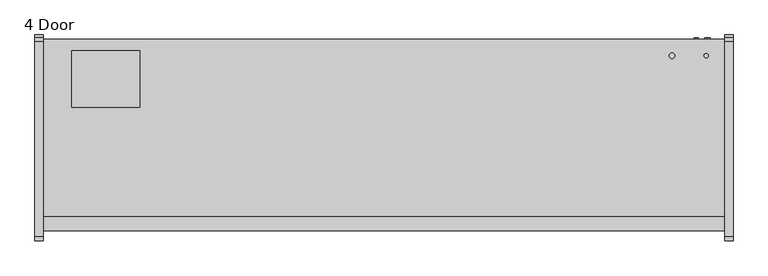
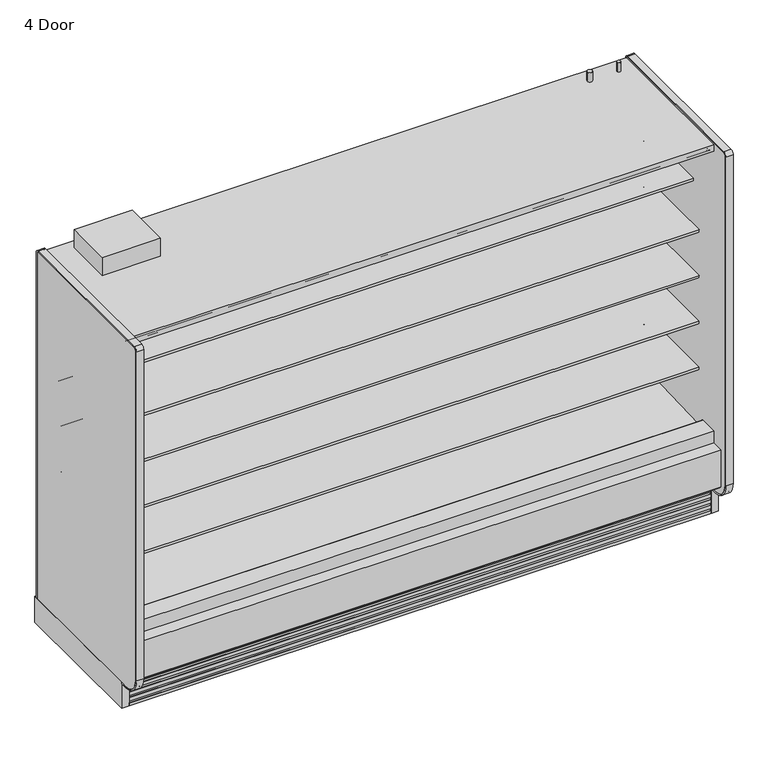
"""IFC4 building model written with IfcOpenShell, lengths in millimetres: proxy geometry, 4 Door."""

from ifc_helpers import new_model, si_unit, point, frame, frame_2d, origin, origin_with_axes, place, context, project, spatial, polyline, circle_curve, trimmed, segment, composite_curve, outline, extrude, source, transform, mapped, element, save
from ifc_brep_helpers import plane_surface, revolved_surface, advanced_brep


def proxy_4_door_71284872(model_context):
    return source(origin(), model_context, "Body", "SolidModel", [
        extrude(outline(composite_curve([segment(trimmed(circle_curve(frame_2d((2965.45, -429.4247809)), 9.525), [point((2955.925, -429.4247809))], [point((2974.975, -429.4247809))], False, "CARTESIAN"), True, "CONTINUOUS"), segment(trimmed(circle_curve(frame_2d((2965.45, -429.4247809)), 9.525), [point((2974.975, -429.4247809))], [point((2955.925, -429.4247809))], False, "CARTESIAN"), True, "CONTINUOUS")], self_intersect=False)), frame((0.0, 0.0, 2058.9904091), z_axis=(0.0, 0.0, 1.0), x_axis=(1.0, 0.0, 0.0)), (0.0, 0.0, 1.0), 50.8),
        extrude(outline(composite_curve([segment(trimmed(circle_curve(frame_2d((2813.05, -429.4247809)), 12.7), [point((2800.35, -429.4247809))], [point((2825.75, -429.4247809))], False, "CARTESIAN"), True, "CONTINUOUS"), segment(trimmed(circle_curve(frame_2d((2813.05, -429.4247809)), 12.7), [point((2825.75, -429.4247809))], [point((2800.35, -429.4247809))], False, "CARTESIAN"), True, "CONTINUOUS")], self_intersect=False)), frame((0.0, 0.0, 2058.9904091), z_axis=(0.0, 0.0, 1.0), x_axis=(1.0, 0.0, 0.0)), (0.0, 0.0, 1.0), 50.8),
        extrude(outline(composite_curve([segment(polyline([(-349.0071273, 2056.656972), (-349.0071273, 143.2306), (-355.3571273, 143.2306), (-355.3571273, 2056.656972)]), True, "CONTINUOUS"), segment(trimmed(circle_curve(frame_2d((-365.6251553, 2056.656972)), 10.268028), [point((-355.3571273, 2056.656972))], [point((-365.6251553, 2066.925))], True, "CARTESIAN"), True, "CONTINUOUS"), segment(polyline([(-365.6251553, 2066.925), (-1237.4724391, 2066.925)]), True, "CONTINUOUS"), segment(trimmed(circle_curve(frame_2d((-1237.4724391, 2054.225)), 12.7), [point((-1237.4724391, 2066.925))], [point((-1250.1724391, 2054.225))], True, "CARTESIAN"), True, "CONTINUOUS"), segment(polyline([(-1250.1724391, 2054.225), (-1250.1724391, 232.1306)]), True, "CONTINUOUS"), segment(trimmed(circle_curve(frame_2d((-1161.2724391, 232.1306)), 88.9), [point((-1250.1724391, 232.1306))], [point((-1161.2724391, 143.2306))], True, "CARTESIAN"), True, "CONTINUOUS"), segment(polyline([(-1161.2724391, 143.2306), (-1124.0599223, 143.2306), (-1124.0599223, 136.8806), (-1161.2724391, 136.8806)]), True, "CONTINUOUS"), segment(trimmed(circle_curve(frame_2d((-1161.2724391, 232.1306)), 95.25), [point((-1161.2724391, 136.8806))], [point((-1256.5224391, 232.1306))], False, "CARTESIAN"), True, "CONTINUOUS"), segment(polyline([(-1256.5224391, 232.1306), (-1256.5224391, 2054.225)]), True, "CONTINUOUS"), segment(trimmed(circle_curve(frame_2d((-1237.4724391, 2054.225)), 19.05), [point((-1256.5224391, 2054.225))], [point((-1237.4724391, 2073.275))], False, "CARTESIAN"), True, "CONTINUOUS"), segment(polyline([(-1237.4724391, 2073.275), (-365.6251553, 2073.275)]), True, "CONTINUOUS"), segment(trimmed(circle_curve(frame_2d((-365.6251553, 2056.656972)), 16.618028), [point((-365.6251553, 2073.275))], [point((-349.0071273, 2056.656972))], False, "CARTESIAN"), True, "CONTINUOUS")], self_intersect=False)), frame((3048.0, 0.0, 0.0), z_axis=(1.0, 0.0, 0.0), x_axis=(0.0, 1.0, 0.0)), (0.0, 0.0, 1.0), 38.1),
        extrude(outline(polyline([(3086.1, -336.3071273), (3086.1, -1124.0599223), (3048.0, -1124.0599223), (3048.0, -336.3071273), (3086.1, -336.3071273)])), origin_with_axes(), (0.0, 0.0, 1.0), 143.2306),
        extrude(outline(composite_curve([segment(polyline([(-1250.1724391, 232.1306), (-1250.1724391, 2054.225)]), True, "CONTINUOUS"), segment(trimmed(circle_curve(frame_2d((-1237.4724391, 2054.225)), 12.7), [point((-1250.1724391, 2054.225))], [point((-1237.4724391, 2066.925))], False, "CARTESIAN"), True, "CONTINUOUS"), segment(polyline([(-1237.4724391, 2066.925), (-365.6251553, 2066.925)]), True, "CONTINUOUS"), segment(trimmed(circle_curve(frame_2d((-365.6251553, 2056.656972)), 10.268028), [point((-365.6251553, 2066.925))], [point((-355.3571273, 2056.656972))], False, "CARTESIAN"), True, "CONTINUOUS"), segment(polyline([(-355.3571273, 2056.656972), (-355.3571273, 143.2306), (-1161.2724391, 143.2306)]), True, "CONTINUOUS"), segment(trimmed(circle_curve(frame_2d((-1161.2724391, 232.1306)), 88.9), [point((-1161.2724391, 143.2306))], [point((-1250.1724391, 232.1306))], False, "CARTESIAN"), True, "CONTINUOUS")], self_intersect=False)), frame((3048.0, 0.0, 0.0), z_axis=(1.0, 0.0, 0.0), x_axis=(0.0, 1.0, 0.0)), (0.0, 0.0, 1.0), 38.1),
        extrude(outline(composite_curve([segment(polyline([(-1124.0599223, 136.8806), (-1161.2724391, 136.8806)]), True, "CONTINUOUS"), segment(trimmed(circle_curve(frame_2d((-1161.2724391, 232.1306)), 95.25), [point((-1161.2724391, 136.8806))], [point((-1256.5224391, 232.1306))], False, "CARTESIAN"), True, "CONTINUOUS"), segment(polyline([(-1256.5224391, 232.1306), (-1256.5224391, 2054.225)]), True, "CONTINUOUS"), segment(trimmed(circle_curve(frame_2d((-1237.4724391, 2054.225)), 19.05), [point((-1256.5224391, 2054.225))], [point((-1237.4724391, 2073.275))], False, "CARTESIAN"), True, "CONTINUOUS"), segment(polyline([(-1237.4724391, 2073.275), (-365.6251553, 2073.275)]), True, "CONTINUOUS"), segment(trimmed(circle_curve(frame_2d((-365.6251553, 2056.656972)), 16.618028), [point((-365.6251553, 2073.275))], [point((-349.0071273, 2056.656972))], False, "CARTESIAN"), True, "CONTINUOUS"), segment(polyline([(-349.0071273, 2056.656972), (-349.0071273, 143.2306), (-355.3571273, 143.2306), (-355.3571273, 2056.656972)]), True, "CONTINUOUS"), segment(trimmed(circle_curve(frame_2d((-365.6251553, 2056.656972)), 10.268028), [point((-355.3571273, 2056.656972))], [point((-365.6251553, 2066.925))], True, "CARTESIAN"), True, "CONTINUOUS"), segment(polyline([(-365.6251553, 2066.925), (-1237.4724391, 2066.925)]), True, "CONTINUOUS"), segment(trimmed(circle_curve(frame_2d((-1237.4724391, 2054.225)), 12.7), [point((-1237.4724391, 2066.925))], [point((-1250.1724391, 2054.225))], True, "CARTESIAN"), True, "CONTINUOUS"), segment(polyline([(-1250.1724391, 2054.225), (-1250.1724391, 232.1306)]), True, "CONTINUOUS"), segment(trimmed(circle_curve(frame_2d((-1161.2724391, 232.1306)), 88.9), [point((-1250.1724391, 232.1306))], [point((-1161.2724391, 143.2306))], True, "CARTESIAN"), True, "CONTINUOUS"), segment(polyline([(-1161.2724391, 143.2306), (-1124.0599223, 143.2306), (-1124.0599223, 136.8806)]), True, "CONTINUOUS")], self_intersect=False)), frame((-38.1, 0.0, 0.0), z_axis=(1.0, 0.0, 0.0), x_axis=(0.0, 1.0, 0.0)), (0.0, 0.0, 1.0), 38.1),
        extrude(outline(polyline([(0.0, -336.3071273), (0.0, -1124.0599223), (-38.1, -1124.0599223), (-38.1, -336.3071273), (0.0, -336.3071273)])), origin_with_axes(), (0.0, 0.0, 1.0), 143.2306),
        extrude(outline(composite_curve([segment(polyline([(-1250.1724391, 232.1306), (-1250.1724391, 2054.225)]), True, "CONTINUOUS"), segment(trimmed(circle_curve(frame_2d((-1237.4724391, 2054.225)), 12.7), [point((-1250.1724391, 2054.225))], [point((-1237.4724391, 2066.925))], False, "CARTESIAN"), True, "CONTINUOUS"), segment(polyline([(-1237.4724391, 2066.925), (-365.6251553, 2066.925)]), True, "CONTINUOUS"), segment(trimmed(circle_curve(frame_2d((-365.6251553, 2056.656972)), 10.268028), [point((-365.6251553, 2066.925))], [point((-355.3571273, 2056.656972))], False, "CARTESIAN"), True, "CONTINUOUS"), segment(polyline([(-355.3571273, 2056.656972), (-355.3571273, 143.2306), (-1137.131026, 143.2306), (-1161.2724391, 143.2306)]), True, "CONTINUOUS"), segment(trimmed(circle_curve(frame_2d((-1161.2724391, 232.1306)), 88.9), [point((-1161.2724391, 143.2306))], [point((-1250.1724391, 232.1306))], False, "CARTESIAN"), True, "CONTINUOUS")], self_intersect=False)), frame((-38.1, 0.0, 0.0), z_axis=(1.0, 0.0, 0.0), x_axis=(0.0, 1.0, 0.0)), (0.0, 0.0, 1.0), 38.1),
        extrude(outline(polyline([(0.0, -76.2), (0.0, 0.0), (3048.0, 0.0), (3048.0, -76.2), (0.0, -76.2)])), frame((3048.0, -1079.2958538, 1988.0577862), z_axis=(0.0, 0.09315347017682277, 0.9956517619097633), x_axis=(-1.0, 0.0, 0.0)), (0.0, 0.0, 1.0), 12.7),
        extrude(outline(composite_curve([segment(trimmed(circle_curve(frame_2d((-1205.0506273, 199.8107889)), 6.35), [point((-1201.8764382, 194.3110595))], [point((-1211.4006273, 199.8107889))], False, "CARTESIAN"), True, "CONTINUOUS"), segment(polyline([(-1211.4006273, 199.8107889), (-1211.4006273, 404.6728), (-1147.784197, 404.6728), (-1147.784197, 395.1732), (-1196.1987273, 395.1732), (-1196.1987273, 260.4549459), (-1151.8090876, 223.2076157), (-1201.8764382, 194.3110595)]), True, "CONTINUOUS")], self_intersect=False)), frame((0.0, 0.0, 0.0), z_axis=(1.0, 0.0, 0.0), x_axis=(0.0, 1.0, 0.0)), (0.0, 0.0, 1.0), 3048.0),
        extrude(outline(polyline([(431.8422466, -406.1571273), (431.8422466, -660.1571273), (127.0, -660.1571273), (127.0, -406.1571273), (431.8422466, -406.1571273)])), frame((0.0, 0.0, 2058.9904091), z_axis=(0.0, 0.0, 1.0), x_axis=(1.0, 0.0, 0.0)), (0.0, 0.0, 1.0), 100.0095909),
        advanced_brep(
        [(3048.0, -1124.0599223, 0.0), (3048.0, -1111.0071273, 0.0), (3048.0, -1111.0071273, 189.0201105), (3048.0, -1118.1695038, 194.9418778), (3048.0, -1118.1695038, 167.3928018), (3048.0, -1119.7599344, 165.8023712), (3048.0, -1119.7599344, 146.7523712), (3048.0, -1117.4655682, 147.966845), (3048.0, -1114.0015384, 146.7880867), (3048.0, -1120.0983392, 136.4191003), (3048.0, -1120.6941527, 135.8232868), (3048.0, -1120.6941527, 116.7732868), (3048.0, -1118.3997865, 117.9877605), (3048.0, -1114.9357567, 116.8090023), (3048.0, -1121.0325575, 106.4400158), (3048.0, -1121.628371, 105.8442023), (3048.0, -1121.628371, 86.7942023), (3048.0, -1119.3340048, 88.0086761), (3048.0, -1115.869975, 86.8299178), (3048.0, -1121.9667759, 76.4609313), (3048.0, -1122.5625893, 75.8651179), (3048.0, -1122.5625893, 56.8151179), (3048.0, -1120.2682231, 58.0295916), (3048.0, -1116.8041934, 56.8508334), (3048.0, -1122.9009942, 46.4818469), (3048.0, -1123.4968077, 45.8860334), (3048.0, -1123.4968077, 26.8360334), (3048.0, -1121.2024415, 28.0505071), (3048.0, -1117.7384117, 26.8717489), (3048.0, -1123.8352125, 16.5027624), (3048.0, -1124.0599223, 15.4000228), (0.0, -1124.0599223, 0.0), (0.0, -1124.0599223, 15.4000228), (0.0, -1123.8352125, 16.5027624), (0.0, -1117.7046569, 26.7952908), (0.0, -1121.2024415, 28.0505071), (0.0, -1123.4968077, 26.8360334), (0.0, -1123.4968077, 45.8860334), (0.0, -1122.9009942, 46.4818469), (0.0, -1116.7704385, 56.7743753), (0.0, -1120.2682231, 58.0295916), (0.0, -1122.5625893, 56.8151179), (0.0, -1122.5625893, 75.8651179), (0.0, -1121.9667759, 76.4609313), (0.0, -1115.8362202, 86.7534597), (0.0, -1119.3340048, 88.0086761), (0.0, -1121.628371, 86.7942023), (0.0, -1121.628371, 105.8442023), (0.0, -1121.0325575, 106.4400158), (0.0, -1114.9020019, 116.7325442), (0.0, -1118.3997865, 117.9877605), (0.0, -1120.6941527, 116.7732868), (0.0, -1120.6941527, 135.8232868), (0.0, -1120.0983392, 136.4191003), (0.0, -1113.9677835, 146.7116287), (0.0, -1117.4655682, 147.966845), (0.0, -1119.7599344, 146.7523712), (0.0, -1119.7599344, 165.8023712), (0.0, -1118.1695038, 167.3928018), (0.0, -1118.1695038, 194.9418778), (0.0, -1111.0071273, 189.0201105), (0.0, -1111.0071273, 0.0)],
        [
            (0, 1),
            (1, 2),
            (2, 3),
            (3, 4),
            (4, 5),
            (5, 6),
            (6, 7),
            (7, 8, circle_curve(frame((3048.0, -1116.2892235, 145.7445117), z_axis=(-1.0, 0.0, 0.0), x_axis=(0.0, 1.0, 0.0)), 2.5144685)),
            (8, 9, circle_curve(frame((3048.0, -1120.7858609, 143.8006506), z_axis=(-1.0, 0.0, 0.0), x_axis=(0.0, 1.0, 0.0)), 7.4134993)),
            (9, 10),
            (10, 11),
            (11, 12),
            (12, 13, circle_curve(frame((3048.0, -1117.2234418, 115.7654272), z_axis=(-1.0, 0.0, 0.0), x_axis=(0.0, 1.0, 0.0)), 2.5144685)),
            (13, 14, circle_curve(frame((3048.0, -1121.7200792, 113.8215662), z_axis=(-1.0, 0.0, 0.0), x_axis=(0.0, 1.0, 0.0)), 7.4134993)),
            (14, 15),
            (15, 16),
            (16, 17),
            (17, 18, circle_curve(frame((3048.0, -1118.1576601, 85.7863428), z_axis=(-1.0, 0.0, 0.0), x_axis=(0.0, 1.0, 0.0)), 2.5144685)),
            (18, 19, circle_curve(frame((3048.0, -1122.6542976, 83.8424817), z_axis=(-1.0, 0.0, 0.0), x_axis=(0.0, 1.0, 0.0)), 7.4134993)),
            (19, 20),
            (20, 21),
            (21, 22),
            (22, 23, circle_curve(frame((3048.0, -1119.0918785, 55.8072583), z_axis=(-1.0, 0.0, 0.0), x_axis=(0.0, 1.0, 0.0)), 2.5144685)),
            (23, 24, circle_curve(frame((3048.0, -1123.5885159, 53.8633973), z_axis=(-1.0, 0.0, 0.0), x_axis=(0.0, 1.0, 0.0)), 7.4134993)),
            (24, 25),
            (25, 26),
            (26, 27),
            (27, 28, circle_curve(frame((3048.0, -1120.0260968, 25.8281739), z_axis=(-1.0, 0.0, 0.0), x_axis=(0.0, 1.0, 0.0)), 2.5144685)),
            (28, 29, circle_curve(frame((3048.0, -1124.5227342, 23.8843128), z_axis=(-1.0, 0.0, 0.0), x_axis=(0.0, 1.0, 0.0)), 7.4134993)),
            (29, 30),
            (30, 0),
            (31, 32),
            (32, 33),
            (33, 34, circle_curve(frame((0.0, -1124.5227342, 23.8843128), z_axis=(1.0, 0.0, 0.0), x_axis=(0.0, 1.0, 0.0)), 7.4134993)),
            (34, 35, circle_curve(frame((0.0, -1120.0260968, 25.8281739), z_axis=(1.0, 0.0, 0.0), x_axis=(0.0, 1.0, 0.0)), 2.5144685)),
            (35, 36),
            (36, 37),
            (37, 38),
            (38, 39, circle_curve(frame((0.0, -1123.5885159, 53.8633973), z_axis=(1.0, 0.0, 0.0), x_axis=(0.0, 1.0, 0.0)), 7.4134993)),
            (39, 40, circle_curve(frame((0.0, -1119.0918785, 55.8072583), z_axis=(1.0, 0.0, 0.0), x_axis=(0.0, 1.0, 0.0)), 2.5144685)),
            (40, 41),
            (41, 42),
            (42, 43),
            (43, 44, circle_curve(frame((0.0, -1122.6542976, 83.8424817), z_axis=(1.0, 0.0, 0.0), x_axis=(0.0, 1.0, 0.0)), 7.4134993)),
            (44, 45, circle_curve(frame((0.0, -1118.1576601, 85.7863428), z_axis=(1.0, 0.0, 0.0), x_axis=(0.0, 1.0, 0.0)), 2.5144685)),
            (45, 46),
            (46, 47),
            (47, 48),
            (48, 49, circle_curve(frame((0.0, -1121.7200792, 113.8215662), z_axis=(1.0, 0.0, 0.0), x_axis=(0.0, 1.0, 0.0)), 7.4134993)),
            (49, 50, circle_curve(frame((0.0, -1117.2234418, 115.7654272), z_axis=(1.0, 0.0, 0.0), x_axis=(0.0, 1.0, 0.0)), 2.5144685)),
            (50, 51),
            (51, 52),
            (52, 53),
            (53, 54, circle_curve(frame((0.0, -1120.7858609, 143.8006506), z_axis=(1.0, 0.0, 0.0), x_axis=(0.0, 1.0, 0.0)), 7.4134993)),
            (54, 55, circle_curve(frame((0.0, -1116.2892235, 145.7445117), z_axis=(1.0, 0.0, 0.0), x_axis=(0.0, 1.0, 0.0)), 2.5144685)),
            (55, 56),
            (56, 57),
            (57, 58),
            (58, 59),
            (59, 60),
            (60, 61),
            (61, 31),
            (0, 31),
            (61, 1),
            (60, 2),
            (59, 3),
            (58, 4),
            (57, 5),
            (56, 6),
            (55, 7),
            (54, 8),
            (53, 9),
            (52, 10),
            (51, 11),
            (50, 12),
            (49, 13),
            (48, 14),
            (47, 15),
            (46, 16),
            (45, 17),
            (44, 18),
            (43, 19),
            (42, 20),
            (41, 21),
            (40, 22),
            (39, 23),
            (38, 24),
            (37, 25),
            (36, 26),
            (35, 27),
            (34, 28),
            (33, 29),
            (30, 32),
        ],
        [
            plane_surface(frame((3048.0, -1111.0071273, 0.0), z_axis=(1.0, 0.0, 0.0), x_axis=(0.0, 1.0, 0.0))),
            plane_surface(frame((0.0, -1111.0071273, 0.0), z_axis=(-1.0, 0.0, 0.0), x_axis=(0.0, -1.0, 0.0))),
            plane_surface(frame((3048.0, -1124.0599223, 0.0), z_axis=(0.0, 0.0, -1.0), x_axis=(-1.0, 0.0, 0.0))),
            plane_surface(frame((3048.0, -1111.0071273, 0.0), z_axis=(0.0, 1.0, 0.0), x_axis=(-1.0, 0.0, 0.0))),
            plane_surface(frame((3048.0, -1111.0071273, 189.0201105), z_axis=(0.0, 0.6372025590230975, 0.7706963726231076), x_axis=(-1.0, 0.0, 0.0))),
            plane_surface(frame((3048.0, -1118.1695038, 194.9418778), z_axis=(0.0, -1.0, 0.0), x_axis=(-1.0, 0.0, 0.0))),
            plane_surface(frame((3048.0, -1118.1695038, 167.3928018), z_axis=(0.0, -0.7071067811865249, 0.7071067811865701), x_axis=(-1.0, 0.0, 0.0))),
            plane_surface(frame((3048.0, -1119.7599344, 165.8023712), z_axis=(0.0, -1.0, 0.0), x_axis=(-1.0, 0.0, 0.0))),
            plane_surface(frame((3048.0, -1119.7599344, 146.7523712), z_axis=(0.0, 0.46783034066877954, -0.8838182914772322), x_axis=(-1.0, 0.0, 0.0))),
            revolved_surface(polyline([(0.0, -1113.774755, 145.7445117), (3048.0, -1113.774755, 145.7445117)]), (0.0, -1116.2892235, 145.7445117), (-1.0, 0.0, 0.0)),
            revolved_surface(polyline([(0.0, -1113.3723616, 143.8006506), (3048.0, -1113.3723616, 143.8006506)]), (0.0, -1120.7858609, 143.8006506), (-1.0, 0.0, 0.0)),
            plane_surface(frame((3048.0, -1120.0983392, 136.4191003), z_axis=(0.0, -0.7071067811865174, 0.7071067811865777), x_axis=(-1.0, 0.0, 0.0))),
            plane_surface(frame((3048.0, -1120.6941527, 135.8232868), z_axis=(0.0, -1.0, 0.0), x_axis=(-1.0, 0.0, 0.0))),
            plane_surface(frame((3048.0, -1120.6941527, 116.7732868), z_axis=(0.0, 0.46783034066877444, -0.8838182914772349), x_axis=(-1.0, 0.0, 0.0))),
            revolved_surface(polyline([(0.0, -1114.7089733, 115.7654272), (3048.0, -1114.7089733, 115.7654272)]), (0.0, -1117.2234418, 115.7654272), (-1.0, 0.0, 0.0)),
            revolved_surface(polyline([(0.0, -1114.3065799, 113.8215662), (3048.0, -1114.3065799, 113.8215662)]), (0.0, -1121.7200792, 113.8215662), (-1.0, 0.0, 0.0)),
            plane_surface(frame((3048.0, -1121.0325575, 106.4400158), z_axis=(0.0, -0.7071067811865275, 0.7071067811865677), x_axis=(-1.0, 0.0, 0.0))),
            plane_surface(frame((3048.0, -1121.628371, 105.8442023), z_axis=(0.0, -1.0, 0.0), x_axis=(-1.0, 0.0, 0.0))),
            plane_surface(frame((3048.0, -1121.628371, 86.7942023), z_axis=(0.0, 0.46783034066877954, -0.8838182914772322), x_axis=(-1.0, 0.0, 0.0))),
            revolved_surface(polyline([(0.0, -1115.6431916, 85.7863428), (3048.0, -1115.6431916, 85.7863428)]), (0.0, -1118.1576601, 85.7863428), (-1.0, 0.0, 0.0)),
            revolved_surface(polyline([(0.0, -1115.2407983, 83.8424817), (3048.0, -1115.2407983, 83.8424817)]), (0.0, -1122.6542976, 83.8424817), (-1.0, 0.0, 0.0)),
            plane_surface(frame((3048.0, -1121.9667759, 76.4609313), z_axis=(0.0, -0.7071067811865225, 0.7071067811865727), x_axis=(-1.0, 0.0, 0.0))),
            plane_surface(frame((3048.0, -1122.5625893, 75.8651179), z_axis=(0.0, -1.0, 0.0), x_axis=(-1.0, 0.0, 0.0))),
            plane_surface(frame((3048.0, -1122.5625893, 56.8151179), z_axis=(0.0, 0.46783034066877954, -0.8838182914772322), x_axis=(-1.0, 0.0, 0.0))),
            revolved_surface(polyline([(0.0, -1116.5774099999999, 55.8072583), (3048.0, -1116.5774099999999, 55.8072583)]), (0.0, -1119.0918785, 55.8072583), (-1.0, 0.0, 0.0)),
            revolved_surface(polyline([(0.0, -1116.1750166, 53.8633973), (3048.0, -1116.1750166, 53.8633973)]), (0.0, -1123.5885159, 53.8633973), (-1.0, 0.0, 0.0)),
            plane_surface(frame((3048.0, -1122.9009942, 46.4818469), z_axis=(0.0, -0.7071067811865275, 0.7071067811865677), x_axis=(-1.0, 0.0, 0.0))),
            plane_surface(frame((3048.0, -1123.4968077, 45.8860334), z_axis=(0.0, -1.0, 0.0), x_axis=(-1.0, 0.0, 0.0))),
            plane_surface(frame((3048.0, -1123.4968077, 26.8360334), z_axis=(0.0, 0.46783034066877954, -0.8838182914772322), x_axis=(-1.0, 0.0, 0.0))),
            revolved_surface(polyline([(0.0, -1117.5116283, 25.8281739), (3048.0, -1117.5116283, 25.8281739)]), (0.0, -1120.0260968, 25.8281739), (-1.0, 0.0, 0.0)),
            revolved_surface(polyline([(0.0, -1117.1092349, 23.8843128), (3048.0, -1117.1092349, 23.8843128)]), (0.0, -1124.5227342, 23.8843128), (-1.0, 0.0, 0.0)),
            plane_surface(frame((3048.0, -1124.0599223, 15.4000228), z_axis=(0.0, -1.0, 0.0), x_axis=(-1.0, 0.0, 0.0))),
            plane_surface(frame((3048.0, -1123.8352125, 16.5027624), z_axis=(0.0, -0.9798630437033696, 0.19967076797660804), x_axis=(-1.0, 0.0, 0.0))),
        ],
        [
            (0, [[1, 2, 3, 4, 5, 6, 7, 8, 9, 10, 11, 12, 13, 14, 15, 16, 17, 18, 19, 20, 21, 22, 23, 24, 25, 26, 27, 28, 29, 30, 31]]),
            (1, [[32, 33, 34, 35, 36, 37, 38, 39, 40, 41, 42, 43, 44, 45, 46, 47, 48, 49, 50, 51, 52, 53, 54, 55, 56, 57, 58, 59, 60, 61, 62]]),
            (2, [[-1, 63, -62, 64]]),
            (3, [[-2, -64, -61, 65]]),
            (4, [[-3, -65, -60, 66]]),
            (5, [[-4, -66, -59, 67]]),
            (6, [[-5, -67, -58, 68]]),
            (7, [[-6, -68, -57, 69]]),
            (8, [[-7, -69, -56, 70]]),
            (9, [[-8, -70, -55, 71]]),
            (10, [[-9, -71, -54, 72]]),
            (11, [[-10, -72, -53, 73]]),
            (12, [[-11, -73, -52, 74]]),
            (13, [[-12, -74, -51, 75]]),
            (14, [[-13, -75, -50, 76]]),
            (15, [[-14, -76, -49, 77]]),
            (16, [[-15, -77, -48, 78]]),
            (17, [[-16, -78, -47, 79]]),
            (18, [[-17, -79, -46, 80]]),
            (19, [[-18, -80, -45, 81]]),
            (20, [[-19, -81, -44, 82]]),
            (21, [[-20, -82, -43, 83]]),
            (22, [[-21, -83, -42, 84]]),
            (23, [[-22, -84, -41, 85]]),
            (24, [[-23, -85, -40, 86]]),
            (25, [[-24, -86, -39, 87]]),
            (26, [[-25, -87, -38, 88]]),
            (27, [[-26, -88, -37, 89]]),
            (28, [[-27, -89, -36, 90]]),
            (29, [[-28, -90, -35, 91]]),
            (30, [[-29, -91, -34, 92]]),
            (31, [[-31, 93, -32, -63]]),
            (32, [[-30, -92, -33, -93]]),
        ],
    ),
        extrude(outline(composite_curve([segment(polyline([(-457.027044, 1659.5875245), (-468.1349362, 1659.3712074)]), True, "CONTINUOUS"), segment(trimmed(circle_curve(frame_2d((-468.6228819, 1684.4272352)), 25.0607786), [point((-468.1349362, 1659.3712074))], [point((-484.5302045, 1665.062326))], False, "CARTESIAN"), True, "CONTINUOUS"), segment(polyline([(-484.5302045, 1665.062326), (-522.7519051, 1696.1455946)]), True, "CONTINUOUS"), segment(trimmed(circle_curve(frame_2d((-562.8163782, 1646.8801098)), 63.5), [point((-522.7519051, 1696.1455946))], [point((-555.8383697, 1709.9955389))], True, "CARTESIAN"), True, "CONTINUOUS"), segment(polyline([(-555.8383697, 1709.9955389), (-850.9210421, 1742.6197236), (-850.9210421, 1746.90405), (-965.027044, 1746.90405), (-965.027044, 1760.3978), (-457.027044, 1760.3978), (-457.027044, 1659.5875245)]), True, "CONTINUOUS")], self_intersect=False)), frame((0.0, 0.0, 0.0), z_axis=(1.0, 0.0, 0.0), x_axis=(0.0, 1.0, 0.0)), (0.0, 0.0, 1.0), 3048.0),
        extrude(outline(composite_curve([segment(polyline([(-457.027044, 643.5875245), (-468.1349362, 643.3712074)]), True, "CONTINUOUS"), segment(trimmed(circle_curve(frame_2d((-468.6228819, 668.4272352)), 25.0607786), [point((-468.1349362, 643.3712074))], [point((-484.5302045, 649.062326))], False, "CARTESIAN"), True, "CONTINUOUS"), segment(polyline([(-484.5302045, 649.062326), (-522.7519051, 680.1455946)]), True, "CONTINUOUS"), segment(trimmed(circle_curve(frame_2d((-562.8163782, 630.8801098)), 63.5), [point((-522.7519051, 680.1455946))], [point((-555.9633688, 694.0092335))], True, "CARTESIAN"), True, "CONTINUOUS"), segment(polyline([(-555.9633688, 694.0092335), (-901.7210421, 726.6197236), (-901.7210421, 730.90405), (-1015.827044, 730.90405), (-1015.827044, 744.3978), (-457.027044, 744.3978), (-457.027044, 643.5875245)]), True, "CONTINUOUS")], self_intersect=False)), frame((0.0, 0.0, 0.0), z_axis=(1.0, 0.0, 0.0), x_axis=(0.0, 1.0, 0.0)), (0.0, 0.0, 1.0), 3048.0),
        extrude(outline(composite_curve([segment(polyline([(-457.027044, 897.5875245), (-468.1349362, 897.3712074)]), True, "CONTINUOUS"), segment(trimmed(circle_curve(frame_2d((-468.6228819, 922.4272352)), 25.0607786), [point((-468.1349362, 897.3712074))], [point((-484.5302045, 903.062326))], False, "CARTESIAN"), True, "CONTINUOUS"), segment(polyline([(-484.5302045, 903.062326), (-522.7519051, 934.1455946)]), True, "CONTINUOUS"), segment(trimmed(circle_curve(frame_2d((-562.8163782, 884.8801098)), 63.5), [point((-522.7519051, 934.1455946))], [point((-555.9633688, 948.0092335))], True, "CARTESIAN"), True, "CONTINUOUS"), segment(polyline([(-555.9633688, 948.0092335), (-901.7210421, 980.6197236), (-901.7210421, 984.90405), (-1015.827044, 984.90405), (-1015.827044, 998.3978), (-457.027044, 998.3978), (-457.027044, 897.5875245)]), True, "CONTINUOUS")], self_intersect=False)), frame((0.0, 0.0, 0.0), z_axis=(1.0, 0.0, 0.0), x_axis=(0.0, 1.0, 0.0)), (0.0, 0.0, 1.0), 3048.0),
        extrude(outline(composite_curve([segment(polyline([(-457.027044, 1151.5875245), (-468.1349362, 1151.3712074)]), True, "CONTINUOUS"), segment(trimmed(circle_curve(frame_2d((-468.6228819, 1176.4272352)), 25.0607786), [point((-468.1349362, 1151.3712074))], [point((-484.5302045, 1157.062326))], False, "CARTESIAN"), True, "CONTINUOUS"), segment(polyline([(-484.5302045, 1157.062326), (-522.7519051, 1188.1455946)]), True, "CONTINUOUS"), segment(trimmed(circle_curve(frame_2d((-562.8163782, 1138.8801098)), 63.5), [point((-522.7519051, 1188.1455946))], [point((-555.9633688, 1202.0092335))], True, "CARTESIAN"), True, "CONTINUOUS"), segment(polyline([(-555.9633688, 1202.0092335), (-901.7210421, 1234.6197236), (-901.7210421, 1238.90405), (-1015.827044, 1238.90405), (-1015.827044, 1252.3978), (-457.027044, 1252.3978), (-457.027044, 1151.5875245)]), True, "CONTINUOUS")], self_intersect=False)), frame((0.0, 0.0, 0.0), z_axis=(1.0, 0.0, 0.0), x_axis=(0.0, 1.0, 0.0)), (0.0, 0.0, 1.0), 3048.0),
        extrude(outline(composite_curve([segment(polyline([(-457.027044, 1405.5875245), (-468.1349362, 1405.3712074)]), True, "CONTINUOUS"), segment(trimmed(circle_curve(frame_2d((-468.6228819, 1430.4272352)), 25.0607786), [point((-468.1349362, 1405.3712074))], [point((-484.5302045, 1411.062326))], False, "CARTESIAN"), True, "CONTINUOUS"), segment(polyline([(-484.5302045, 1411.062326), (-522.7519051, 1442.1455946)]), True, "CONTINUOUS"), segment(trimmed(circle_curve(frame_2d((-562.8163782, 1392.8801098)), 63.5), [point((-522.7519051, 1442.1455946))], [point((-555.9633688, 1456.0092335))], True, "CARTESIAN"), True, "CONTINUOUS"), segment(polyline([(-555.9633688, 1456.0092335), (-901.7210421, 1488.6197236), (-901.7210421, 1492.90405), (-1015.827044, 1492.90405), (-1015.827044, 1506.3978), (-457.027044, 1506.3978), (-457.027044, 1405.5875245)]), True, "CONTINUOUS")], self_intersect=False)), frame((0.0, 0.0, 0.0), z_axis=(1.0, 0.0, 0.0), x_axis=(0.0, 1.0, 0.0)), (0.0, 0.0, 1.0), 3048.0),
        advanced_brep(
        [(3048.0, -355.3571273, 130.5306), (3048.0, -355.3571273, 2057.4), (3048.0, -1147.784197, 2057.4), (3048.0, -1147.784197, 2020.2201079), (3048.0, -405.5224764, 2020.2201079), (3048.0, -405.5224764, 220.2495555), (3048.0, -866.2322128, 192.9404113), (3048.0, -906.3154388, 159.4459345), (3048.0, -970.8177493, 157.1934642), (3048.0, -1016.169944, 190.0023738), (3048.0, -1033.5218065, 189.3964335), (3048.0, -1147.784197, 285.2739632), (3048.0, -1147.784197, 395.1732), (3048.0, -1196.1987273, 395.1732), (3048.0, -1196.1987273, 260.4549459), (3048.0, -1041.3609213, 130.5306), (0.0, -355.3571273, 130.5306), (0.0, -1041.3609213, 130.5306), (0.0, -1196.1987273, 260.4549459), (0.0, -1196.1987273, 395.1732), (0.0, -1147.784197, 395.1732), (0.0, -1147.784197, 285.2739632), (0.0, -1033.5218065, 189.3964335), (0.0, -1016.169944, 190.0023738), (0.0, -970.8177493, 157.1934642), (0.0, -906.3154388, 159.4459345), (0.0, -866.2322128, 192.9404113), (0.0, -405.5224764, 220.2495555), (0.0, -405.5224764, 2020.2201079), (0.0, -1147.784197, 2020.2201079), (0.0, -1147.784197, 2057.4), (0.0, -355.3571273, 2057.4), (2946.4, -355.3571273, 303.2125), (2946.4, -355.3571273, 404.8125), (2946.4, -390.6253644, 303.2125), (2946.4, -390.6253644, 404.8125)],
        [
            (0, 1),
            (1, 2),
            (2, 3),
            (3, 4),
            (4, 5),
            (5, 6),
            (6, 7),
            (7, 8),
            (8, 9),
            (9, 10),
            (10, 11),
            (11, 12),
            (12, 13),
            (13, 14),
            (14, 15),
            (15, 0),
            (16, 17),
            (17, 18),
            (18, 19),
            (19, 20),
            (20, 21),
            (21, 22),
            (22, 23),
            (23, 24),
            (24, 25),
            (25, 26),
            (26, 27),
            (27, 28),
            (28, 29),
            (29, 30),
            (30, 31),
            (31, 16),
            (0, 16),
            (31, 1),
            (32, 33, circle_curve(frame((2946.4, -355.3571273, 354.0125), z_axis=(0.0, -1.0, 0.0), x_axis=(0.0, 0.0, 1.0)), 50.8)),
            (33, 32, circle_curve(frame((2946.4, -355.3571273, 354.0125), z_axis=(0.0, -1.0, 0.0), x_axis=(0.0, 0.0, 1.0)), 50.8)),
            (30, 2),
            (29, 3),
            (28, 4),
            (27, 5),
            (15, 17),
            (34, 35, circle_curve(frame((2946.4, -390.6253644, 354.0125), z_axis=(0.0, 1.0, 0.0), x_axis=(0.0, 0.0, 1.0)), 50.8)),
            (35, 34, circle_curve(frame((2946.4, -390.6253644, 354.0125), z_axis=(0.0, 1.0, 0.0), x_axis=(0.0, 0.0, 1.0)), 50.8)),
            (35, 33),
            (32, 34),
            (6, 26),
            (25, 7),
            (24, 8),
            (23, 9),
            (22, 10),
            (21, 11),
            (20, 12),
            (19, 13),
            (18, 14),
        ],
        [
            plane_surface(frame((3048.0, -355.3571273, 2046.3567079), z_axis=(1.0, 0.0, 0.0), x_axis=(0.0, 0.0, 1.0))),
            plane_surface(frame((0.0, -355.3571273, 2046.3567079), z_axis=(-1.0, 0.0, 0.0), x_axis=(0.0, 0.0, -1.0))),
            plane_surface(frame((3048.0, -355.3571273, 130.5306), z_axis=(0.0, 1.0, 0.0), x_axis=(-1.0, 0.0, 0.0))),
            plane_surface(frame((3048.0, -355.3571273, 2057.4), z_axis=(0.0, 0.0, 1.0), x_axis=(-1.0, 0.0, 0.0))),
            plane_surface(frame((3048.0, -1147.784197, 2057.4), z_axis=(0.0, -1.0, 0.0), x_axis=(-1.0, 0.0, 0.0))),
            plane_surface(frame((3048.0, -1147.784197, 2020.2201079), z_axis=(0.0, 0.0, -1.0), x_axis=(-1.0, 0.0, 0.0))),
            plane_surface(frame((3048.0, -405.5224764, 2020.2201079), z_axis=(0.0, -1.0, 0.0), x_axis=(-1.0, 0.0, 0.0))),
            plane_surface(frame((3048.0, -1041.3609213, 130.5306), z_axis=(0.0, 0.0, -1.0), x_axis=(-1.0, 0.0, 0.0))),
            plane_surface(frame((2946.4, -390.6253644, 404.8125), z_axis=(0.0, 1.0, 0.0), x_axis=(-1.0, 0.0, 0.0))),
            revolved_surface(polyline([(2946.4, -390.6253644, 404.8125), (2946.4, -355.3571273, 404.8125)]), (2946.4, -355.3571273, 354.0125), (0.0, -1.0, 0.0)),
            plane_surface(frame((3048.0, -866.2322128, 192.9404113), z_axis=(0.0, -0.6412208566386132, 0.7673563794037573), x_axis=(-1.0, 0.0, 0.0))),
            plane_surface(frame((3048.0, -906.3154388, 159.4459345), z_axis=(0.0, -0.03489949670245158, 0.9993908270190974), x_axis=(-1.0, 0.0, 0.0))),
            plane_surface(frame((3048.0, -970.8177493, 157.1934642), z_axis=(0.0, 0.5861307997256702, 0.8102164436821474), x_axis=(-1.0, 0.0, 0.0))),
            plane_surface(frame((3048.0, -1016.169944, 190.0023738), z_axis=(0.0, -0.034899496702486744, 0.9993908270190962), x_axis=(-1.0, 0.0, 0.0))),
            plane_surface(frame((3048.0, -405.5224764, 220.2495555), z_axis=(0.0, -0.059172381954877985, 0.9982477794684975), x_axis=(-1.0, 0.0, 0.0))),
            plane_surface(frame((3048.0, -1033.5218065, 189.3964335), z_axis=(0.0, 0.6427876096848525, 0.7660444431203935), x_axis=(-1.0, 0.0, 0.0))),
            plane_surface(frame((3048.0, -1147.784197, 285.2739632), z_axis=(0.0, 1.0, 0.0), x_axis=(-1.0, 0.0, 0.0))),
            plane_surface(frame((3048.0, -1147.784197, 395.1732), z_axis=(0.0, 0.0, 1.0), x_axis=(-1.0, 0.0, 0.0))),
            plane_surface(frame((3048.0, -1196.1987273, 395.1732), z_axis=(0.0, -1.0, 0.0), x_axis=(-1.0, 0.0, 0.0))),
            plane_surface(frame((3048.0, -1196.1987273, 260.4549459), z_axis=(0.0, -0.6427876096877204, -0.766044443117987), x_axis=(-1.0, 0.0, 0.0))),
        ],
        [
            (0, [[1, 2, 3, 4, 5, 6, 7, 8, 9, 10, 11, 12, 13, 14, 15, 16]]),
            (1, [[17, 18, 19, 20, 21, 22, 23, 24, 25, 26, 27, 28, 29, 30, 31, 32]]),
            (2, [[-1, 33, -32, 34], [35, 36]]),
            (3, [[-2, -34, -31, 37]]),
            (4, [[-3, -37, -30, 38]]),
            (5, [[-4, -38, -29, 39]]),
            (6, [[-5, -39, -28, 40]]),
            (7, [[-16, 41, -17, -33]]),
            (8, [[42, 43]]),
            (9, [[-43, 44, -35, 45]]),
            (9, [[-42, -45, -36, -44]]),
            (10, [[-7, 46, -26, 47]]),
            (11, [[-8, -47, -25, 48]]),
            (12, [[-9, -48, -24, 49]]),
            (13, [[-10, -49, -23, 50]]),
            (14, [[-6, -40, -27, -46]]),
            (15, [[-11, -50, -22, 51]]),
            (16, [[-12, -51, -21, 52]]),
            (17, [[-13, -52, -20, 53]]),
            (18, [[-14, -53, -19, 54]]),
            (19, [[-15, -54, -18, -41]]),
        ],
    ),
        extrude(outline(composite_curve([segment(polyline([(-457.027044, 445.7919218), (-405.5224764, 445.7919218), (-405.5224764, 220.2495555), (-866.2322128, 192.9404113), (-906.3154388, 159.4459345), (-970.8177493, 157.1934642), (-1016.169944, 190.0023738), (-1033.5218065, 189.3964335), (-1147.784197, 285.2739632), (-1147.784197, 471.3478), (-1049.6661273, 471.3478)]), True, "CONTINUOUS"), segment(trimmed(circle_curve(frame_2d((-1049.6661273, 469.2904)), 2.0574), [point((-1049.6661273, 471.3478))], [point((-1047.6087273, 469.2904))], False, "CARTESIAN"), True, "CONTINUOUS"), segment(polyline([(-1047.6087273, 469.2904), (-1047.6087273, 423.9708554), (-457.027044, 445.7919218)]), True, "CONTINUOUS")], self_intersect=False)), frame((0.0, 0.0, 0.0), z_axis=(1.0, 0.0, 0.0), x_axis=(0.0, 1.0, 0.0)), (0.0, 0.0, 1.0), 3048.0),
        extrude(outline(composite_curve([segment(polyline([(-1001.0821412, 1994.8201079), (-1001.0544494, 1996.4629758), (-1080.2451873, 2003.8720844), (-1080.2451873, 1993.3723079)]), True, "CONTINUOUS"), segment(trimmed(circle_curve(frame_2d((-1082.7851873, 1993.3723079)), 2.54), [point((-1080.2451873, 1993.3723079))], [point((-1082.7851873, 1990.8323079))], False, "CARTESIAN"), True, "CONTINUOUS"), segment(polyline([(-1082.7851873, 1990.8323079), (-1092.0053873, 1990.8323079)]), True, "CONTINUOUS"), segment(trimmed(circle_curve(frame_2d((-1092.0053873, 1993.3723079)), 2.54), [point((-1092.0053873, 1990.8323079))], [point((-1094.5453873, 1993.3723079))], False, "CARTESIAN"), True, "CONTINUOUS"), segment(polyline([(-1094.5453873, 1993.3723079), (-1094.5453873, 2001.1923066)]), True, "CONTINUOUS"), segment(trimmed(circle_curve(frame_2d((-1097.0853873, 2001.1923066)), 2.54), [point((-1094.5453873, 2001.1923066))], [point((-1097.0853873, 2003.7323066))], True, "CARTESIAN"), True, "CONTINUOUS"), segment(polyline([(-1097.0853873, 2003.7323066), (-1111.0553873, 2003.7323066)]), True, "CONTINUOUS"), segment(trimmed(circle_curve(frame_2d((-1111.0553873, 2006.2723066)), 2.54), [point((-1111.0553873, 2003.7323066))], [point((-1113.5953873, 2006.2723066))], False, "CARTESIAN"), True, "CONTINUOUS"), segment(polyline([(-1113.5953873, 2006.2723066), (-1113.5953873, 2007.5201079), (-1113.5953873, 2020.2201079), (-405.5224764, 2020.2201079), (-405.5224764, 445.7919218), (-457.027044, 445.7919218), (-457.027044, 1994.8201079), (-1001.0821412, 1994.8201079)]), True, "CONTINUOUS")], self_intersect=False)), frame((0.0, 0.0, 0.0), z_axis=(1.0, 0.0, 0.0), x_axis=(0.0, 1.0, 0.0)), (0.0, 0.0, 1.0), 3048.0),
        extrude(outline(polyline([(457.2, -1050.6821273), (457.2, -1114.594384), (254.0, -1114.594384), (254.0, -1050.6821273), (457.2, -1050.6821273)])), frame((0.0, 0.0, 44.45), z_axis=(0.0, 0.0, 1.0), x_axis=(1.0, 0.0, 0.0)), (0.0, 0.0, 1.0), 6.35),
        advanced_brep(
        [(3048.0, -1111.0071273, 188.9707058), (3048.0, -1111.0071273, 0.0), (3048.0, -964.9571273, 0.0), (3048.0, -964.9571273, 130.5306), (3048.0, -1041.3609213, 130.5306), (0.0, -1111.0071273, 188.9707058), (0.0, -1041.3609213, 130.5306), (0.0, -964.9571273, 130.5306), (0.0, -964.9571273, 0.0), (0.0, -1111.0071273, 0.0), (245.6409893, -1111.0071273, 0.0), (245.6409893, -1111.0071273, 50.8), (466.3154811, -1111.0071273, 50.8), (466.3154811, -1111.0071273, 0.0), (466.3154811, -1045.2097182, 0.0), (245.6409893, -1045.2097182, 0.0), (1478.3197047, -964.9571273, 0.0), (1569.6802953, -964.9571273, 0.0), (2780.2446396, -964.9571273, 0.0), (2874.4303604, -964.9571273, 0.0), (2874.4303604, -964.9571273, 127.0), (2780.2446396, -964.9571273, 127.0), (1569.6802953, -964.9571273, 127.0), (1478.3197047, -964.9571273, 127.0), (466.3154811, -1045.2097182, 50.8), (245.6409893, -1045.2097182, 50.8)],
        [
            (0, 1),
            (1, 2),
            (2, 3),
            (3, 4),
            (4, 0),
            (5, 6),
            (6, 7),
            (7, 8),
            (8, 9),
            (9, 5),
            (0, 5),
            (9, 10),
            (10, 11),
            (11, 12),
            (12, 13),
            (13, 1),
            (13, 14),
            (14, 15),
            (15, 10),
            (8, 16),
            (16, 17, circle_curve(frame((1524.0, -942.7321273, 0.0), z_axis=(0.0, 0.0, 1.0), x_axis=(1.0, 0.0, 0.0)), 50.8)),
            (17, 18),
            (18, 19, circle_curve(frame((2827.3375, -945.9071273, 0.0), z_axis=(0.0, 0.0, 1.0), x_axis=(1.0, 0.0, 0.0)), 50.8)),
            (19, 2),
            (19, 20),
            (20, 21),
            (21, 18),
            (17, 22),
            (22, 23),
            (23, 16),
            (7, 3),
            (6, 4),
            (24, 14),
            (12, 24),
            (15, 25),
            (25, 11),
            (24, 25),
            (22, 23, circle_curve(frame((1524.0, -942.7321273, 127.0), z_axis=(0.0, 0.0, -1.0), x_axis=(1.0, 0.0, 0.0)), 50.8)),
            (20, 21, circle_curve(frame((2827.3375, -945.9071273, 127.0), z_axis=(0.0, 0.0, -1.0), x_axis=(1.0, 0.0, 0.0)), 50.8)),
        ],
        [
            plane_surface(frame((3048.0, -1111.0071273, 0.0), z_axis=(1.0, 0.0, 0.0), x_axis=(0.0, 0.0, -1.0))),
            plane_surface(frame((0.0, -1111.0071273, 0.0), z_axis=(-1.0, 0.0, 0.0), x_axis=(0.0, 0.0, 1.0))),
            plane_surface(frame((3048.0, -1111.0071273, 188.9707058), z_axis=(0.0, -1.0, 0.0), x_axis=(-1.0, 0.0, 0.0))),
            plane_surface(frame((3048.0, -1111.0071273, 0.0), z_axis=(0.0, 0.0, -1.0), x_axis=(-1.0, 0.0, 0.0))),
            plane_surface(frame((3048.0, -964.9571273, 0.0), z_axis=(0.0, 1.0, 0.0), x_axis=(-1.0, 0.0, 0.0))),
            plane_surface(frame((3048.0, -964.9571273, 130.5306), z_axis=(0.0, 0.0, 1.0), x_axis=(-1.0, 0.0, 0.0))),
            plane_surface(frame((3048.0, -1041.3609213, 130.5306), z_axis=(0.0, 0.6427876096877104, 0.7660444431179954), x_axis=(-1.0, 0.0, 0.0))),
            plane_surface(frame((466.3154811, -1045.2097182, 0.0), z_axis=(-1.0, 0.0, 0.0), x_axis=(0.0, 1.0, 0.0))),
            plane_surface(frame((245.6409893, -1045.2097182, 0.0), z_axis=(1.0, 0.0, 0.0), x_axis=(0.0, -1.0, 0.0))),
            plane_surface(frame((466.3154811, -1045.2097182, 0.0), z_axis=(0.0, -1.0, 0.0), x_axis=(-1.0, 0.0, 0.0))),
            plane_surface(frame((466.3154811, -1045.2097182, 50.8), z_axis=(0.0, 0.0, -1.0), x_axis=(-1.0, 0.0, 0.0))),
            plane_surface(frame((1574.8, -942.7321273, 127.0), z_axis=(0.0, 0.0, -1.0), x_axis=(0.0, 1.0, 0.0))),
            revolved_surface(polyline([(1574.8, -942.7321273, 127.0), (1574.8, -942.7321273, 0.0)]), (1524.0, -942.7321273, 0.0), (0.0, 0.0, 1.0)),
            plane_surface(frame((2878.1375, -945.9071273, 127.0), z_axis=(0.0, 0.0, -1.0), x_axis=(0.0, 1.0, 0.0))),
            revolved_surface(polyline([(2878.1375000000003, -945.9071273, 127.0), (2878.1375000000003, -945.9071273, 0.0)]), (2827.3375, -945.9071273, 0.0), (0.0, 0.0, 1.0)),
        ],
        [
            (0, [[1, 2, 3, 4, 5]]),
            (1, [[6, 7, 8, 9, 10]]),
            (2, [[-1, 11, -10, 12, 13, 14, 15, 16]]),
            (3, [[-2, -16, 17, 18, 19, -12, -9, 20, 21, 22, 23, 24]]),
            (4, [[-3, -24, 25, 26, 27, -22, 28, 29, 30, -20, -8, 31]]),
            (5, [[-4, -31, -7, 32]]),
            (6, [[-5, -32, -6, -11]]),
            (7, [[33, -17, -15, 34]]),
            (8, [[35, 36, -13, -19]]),
            (9, [[-33, 37, -35, -18]]),
            (10, [[-37, -34, -14, -36]]),
            (11, [[38, -29]]),
            (12, [[-38, -28, -21, -30]]),
            (13, [[39, -26]]),
            (14, [[-39, -25, -23, -27]]),
        ],
    ),
        extrude(outline(composite_curve([segment(trimmed(circle_curve(frame_2d((354.0125, 2971.8)), 12.7), [point((341.3125, 2971.8))], [point((366.7125, 2971.8))], False, "CARTESIAN"), True, "CONTINUOUS"), segment(trimmed(circle_curve(frame_2d((354.0125, 2971.8)), 12.7), [point((366.7125, 2971.8))], [point((341.3125, 2971.8))], False, "CARTESIAN"), True, "CONTINUOUS")], self_intersect=False)), frame((0.0, -390.6253644, 0.0), z_axis=(0.0, 1.0, 0.0), x_axis=(0.0, 0.0, 1.0)), (0.0, 0.0, 1.0), 41.6182371),
        extrude(outline(composite_curve([segment(trimmed(circle_curve(frame_2d((354.0125, 2921.0)), 9.525), [point((344.4875, 2921.0))], [point((363.5375, 2921.0))], False, "CARTESIAN"), True, "CONTINUOUS"), segment(trimmed(circle_curve(frame_2d((354.0125, 2921.0)), 9.525), [point((363.5375, 2921.0))], [point((344.4875, 2921.0))], False, "CARTESIAN"), True, "CONTINUOUS")], self_intersect=False)), frame((0.0, -390.6253644, 0.0), z_axis=(0.0, 1.0, 0.0), x_axis=(0.0, 0.0, 1.0)), (0.0, 0.0, 1.0), 41.6182371),
        extrude(outline(composite_curve([segment(trimmed(circle_curve(frame_2d((1524.0, -942.7321273)), 38.1), [point((1485.9, -942.7321273))], [point((1562.1, -942.7321273))], False, "CARTESIAN"), True, "CONTINUOUS"), segment(trimmed(circle_curve(frame_2d((1524.0, -942.7321273)), 38.1), [point((1562.1, -942.7321273))], [point((1485.9, -942.7321273))], False, "CARTESIAN"), True, "CONTINUOUS")], self_intersect=False)), frame((0.0, 0.0, 61.2666507), z_axis=(0.0, 0.0, 1.0), x_axis=(1.0, 0.0, 0.0)), (0.0, 0.0, 1.0), 65.7333493),
        extrude(outline(composite_curve([segment(trimmed(circle_curve(frame_2d((2852.7375, -942.7321273)), 12.7), [point((2840.0375, -942.7321273))], [point((2865.4375, -942.7321273))], False, "CARTESIAN"), True, "CONTINUOUS"), segment(trimmed(circle_curve(frame_2d((2852.7375, -942.7321273)), 12.7), [point((2865.4375, -942.7321273))], [point((2840.0375, -942.7321273))], False, "CARTESIAN"), True, "CONTINUOUS")], self_intersect=False)), frame((0.0, 0.0, 61.2666507), z_axis=(0.0, 0.0, 1.0), x_axis=(1.0, 0.0, 0.0)), (0.0, 0.0, 1.0), 65.7333493),
        extrude(outline(composite_curve([segment(trimmed(circle_curve(frame_2d((2801.9375, -942.7321273)), 9.525), [point((2792.4125, -942.7321273))], [point((2811.4625, -942.7321273))], False, "CARTESIAN"), True, "CONTINUOUS"), segment(trimmed(circle_curve(frame_2d((2801.9375, -942.7321273)), 9.525), [point((2811.4625, -942.7321273))], [point((2792.4125, -942.7321273))], False, "CARTESIAN"), True, "CONTINUOUS")], self_intersect=False)), frame((0.0, 0.0, 61.2666507), z_axis=(0.0, 0.0, 1.0), x_axis=(1.0, 0.0, 0.0)), (0.0, 0.0, 1.0), 65.7333493),
        advanced_brep(
        [(3048.0, -355.3571273, 0.0), (3048.0, -355.3571273, 130.5306), (3048.0, -964.9571273, 130.5306), (3048.0, -964.9571273, 0.0), (3048.0, -938.7951273, 0.0), (3048.0, -938.7951273, 74.8810382), (3048.0, -394.2191273, 74.8810382), (3048.0, -394.2191273, 0.0), (0.0, -355.3571273, 0.0), (0.0, -394.2191273, 0.0), (0.0, -394.2191273, 74.8810382), (0.0, -938.7951273, 74.8810382), (0.0, -938.7951273, 0.0), (0.0, -964.9571273, 0.0), (0.0, -964.9571273, 130.5306), (0.0, -355.3571273, 130.5306), (1473.2, -942.7321273, 127.0), (1574.8, -942.7321273, 127.0), (1569.6802953, -964.9571273, 127.0), (1478.3197047, -964.9571273, 127.0), (1574.8, -942.7321273, 0.0), (1569.6802953, -964.9571273, 0.0), (1473.2, -942.7321273, 0.0), (1478.3197047, -964.9571273, 0.0), (1473.3527885, -938.7951273, 0.0), (1473.3527885, -938.7951273, 74.8810382), (1574.6472115, -938.7951273, 74.8810382), (1574.6472115, -938.7951273, 0.0), (2776.5375, -945.9071273, 127.0), (2878.1375, -945.9071273, 127.0), (2874.4303604, -964.9571273, 127.0), (2780.2446396, -964.9571273, 127.0), (2878.1375, -945.9071273, 0.0), (2874.4303604, -964.9571273, 0.0), (2776.5375, -945.9071273, 0.0), (2780.2446396, -964.9571273, 0.0), (2777.0378036, -938.7951273, 0.0), (2777.0378036, -938.7951273, 74.8810382), (2877.6371964, -938.7951273, 74.8810382), (2877.6371964, -938.7951273, 0.0)],
        [
            (0, 1),
            (1, 2),
            (2, 3),
            (3, 4),
            (4, 5),
            (5, 6),
            (6, 7),
            (7, 0),
            (8, 9),
            (9, 10),
            (10, 11),
            (11, 12),
            (12, 13),
            (13, 14),
            (14, 15),
            (15, 8),
            (0, 8),
            (15, 1),
            (6, 10),
            (9, 7),
            (16, 17, circle_curve(frame((1524.0, -942.7321273, 127.0), z_axis=(0.0, 0.0, -1.0), x_axis=(1.0, 0.0, 0.0)), 50.8)),
            (17, 18, circle_curve(frame((1524.0, -942.7321273, 127.0), z_axis=(0.0, 0.0, -1.0), x_axis=(1.0, 0.0, 0.0)), 50.8)),
            (18, 19),
            (19, 16, circle_curve(frame((1524.0, -942.7321273, 127.0), z_axis=(0.0, 0.0, -1.0), x_axis=(1.0, 0.0, 0.0)), 50.8)),
            (17, 20),
            (20, 21, circle_curve(frame((1524.0, -942.7321273, 0.0), z_axis=(0.0, 0.0, -1.0), x_axis=(1.0, 0.0, 0.0)), 50.8)),
            (21, 18),
            (22, 16),
            (19, 23),
            (23, 22, circle_curve(frame((1524.0, -942.7321273, 0.0), z_axis=(0.0, 0.0, -1.0), x_axis=(1.0, 0.0, 0.0)), 50.8)),
            (22, 24, circle_curve(frame((1524.0, -942.7321273, 0.0), z_axis=(0.0, 0.0, -1.0), x_axis=(1.0, 0.0, 0.0)), 50.8)),
            (24, 25),
            (25, 26, circle_curve(frame((1524.0, -942.7321273, 74.8810382), z_axis=(0.0, 0.0, -1.0), x_axis=(1.0, 0.0, 0.0)), 50.8)),
            (26, 27),
            (27, 20, circle_curve(frame((1524.0, -942.7321273, 0.0), z_axis=(0.0, 0.0, -1.0), x_axis=(1.0, 0.0, 0.0)), 50.8)),
            (28, 29, circle_curve(frame((2827.3375, -945.9071273, 127.0), z_axis=(0.0, 0.0, -1.0), x_axis=(1.0, 0.0, 0.0)), 50.8)),
            (29, 30, circle_curve(frame((2827.3375, -945.9071273, 127.0), z_axis=(0.0, 0.0, -1.0), x_axis=(1.0, 0.0, 0.0)), 50.8)),
            (30, 31),
            (31, 28, circle_curve(frame((2827.3375, -945.9071273, 127.0), z_axis=(0.0, 0.0, -1.0), x_axis=(1.0, 0.0, 0.0)), 50.8)),
            (29, 32),
            (32, 33, circle_curve(frame((2827.3375, -945.9071273, 0.0), z_axis=(0.0, 0.0, -1.0), x_axis=(1.0, 0.0, 0.0)), 50.8)),
            (33, 30),
            (34, 28),
            (31, 35),
            (35, 34, circle_curve(frame((2827.3375, -945.9071273, 0.0), z_axis=(0.0, 0.0, -1.0), x_axis=(1.0, 0.0, 0.0)), 50.8)),
            (34, 36, circle_curve(frame((2827.3375, -945.9071273, 0.0), z_axis=(0.0, 0.0, -1.0), x_axis=(1.0, 0.0, 0.0)), 50.8)),
            (36, 37),
            (37, 38, circle_curve(frame((2827.3375, -945.9071273, 74.8810382), z_axis=(0.0, 0.0, -1.0), x_axis=(1.0, 0.0, 0.0)), 50.8)),
            (38, 39),
            (39, 32, circle_curve(frame((2827.3375, -945.9071273, 0.0), z_axis=(0.0, 0.0, -1.0), x_axis=(1.0, 0.0, 0.0)), 50.8)),
            (14, 2),
            (3, 33),
            (39, 4),
            (12, 24),
            (23, 13),
            (27, 36),
            (35, 21),
            (38, 5),
            (11, 25),
            (26, 37),
        ],
        [
            plane_surface(frame((3048.0, -355.3571273, 2438.4), z_axis=(1.0, 0.0, 0.0), x_axis=(0.0, 0.0, 1.0))),
            plane_surface(frame((0.0, -355.3571273, 2438.4), z_axis=(-1.0, 0.0, 0.0), x_axis=(0.0, 0.0, -1.0))),
            plane_surface(frame((3048.0, -355.3571273, 0.0), z_axis=(0.0, 1.0, 0.0), x_axis=(-1.0, 0.0, 0.0))),
            plane_surface(frame((3048.0, -394.2191273, 74.8810382), z_axis=(0.0, -1.0, 0.0), x_axis=(-1.0, 0.0, 0.0))),
            plane_surface(frame((3048.0, -394.2191273, 0.0), z_axis=(0.0, 0.0, -1.0), x_axis=(-1.0, 0.0, 0.0))),
            plane_surface(frame((1574.8, -942.7321273, 127.0), z_axis=(0.0, 0.0, -1.0), x_axis=(0.0, 1.0, 0.0))),
            revolved_surface(polyline([(1574.8, -942.7321273, 127.0), (1574.8, -942.7321273, 0.0)]), (1524.0, -942.7321273, 0.0), (0.0, 0.0, 1.0)),
            plane_surface(frame((2878.1375, -945.9071273, 127.0), z_axis=(0.0, 0.0, -1.0), x_axis=(0.0, 1.0, 0.0))),
            revolved_surface(polyline([(2878.1375000000003, -945.9071273, 127.0), (2878.1375000000003, -945.9071273, 0.0)]), (2827.3375, -945.9071273, 0.0), (0.0, 0.0, 1.0)),
            plane_surface(frame((3048.0, -355.3571273, 130.5306), z_axis=(0.0, 0.0, 1.0), x_axis=(-1.0, 0.0, 0.0))),
            plane_surface(frame((3048.0, -964.9571273, 0.0), z_axis=(0.0, 0.0, -1.0), x_axis=(-1.0, 0.0, 0.0))),
            plane_surface(frame((3048.0, -938.7951273, 0.0), z_axis=(0.0, 1.0, 0.0), x_axis=(-1.0, 0.0, 0.0))),
            plane_surface(frame((3048.0, -938.7951273, 74.8810382), z_axis=(0.0, 0.0, -1.0), x_axis=(-1.0, 0.0, 0.0))),
            plane_surface(frame((3048.0, -964.9571273, 130.5306), z_axis=(0.0, -1.0, 0.0), x_axis=(-1.0, 0.0, 0.0))),
        ],
        [
            (0, [[1, 2, 3, 4, 5, 6, 7, 8]]),
            (1, [[9, 10, 11, 12, 13, 14, 15, 16]]),
            (2, [[-1, 17, -16, 18]]),
            (3, [[-7, 19, -10, 20]]),
            (4, [[-8, -20, -9, -17]]),
            (5, [[21, 22, 23, 24]]),
            (6, [[25, 26, 27, -22]]),
            (6, [[28, -24, 29, 30]]),
            (6, [[-21, -28, 31, 32, 33, 34, 35, -25]]),
            (7, [[36, 37, 38, 39]]),
            (8, [[40, 41, 42, -37]]),
            (8, [[43, -39, 44, 45]]),
            (8, [[-36, -43, 46, 47, 48, 49, 50, -40]]),
            (9, [[-2, -18, -15, 51]]),
            (10, [[-4, 52, -41, -50, 53]]),
            (10, [[-13, 54, -31, -30, 55]]),
            (10, [[-26, -35, 56, -46, -45, 57]]),
            (11, [[-5, -53, -49, 58]]),
            (11, [[-12, 59, -32, -54]]),
            (11, [[-34, 60, -47, -56]]),
            (12, [[-6, -58, -48, -60, -33, -59, -11, -19]]),
            (13, [[-3, -51, -14, -55, -29, -23, -27, -57, -44, -38, -42, -52]]),
        ],
    ),
    ])


if __name__ == "__main__":
    model = new_model("IFC4")
    model_context = context("Model", 3, world=origin())
    ifc_project = project(units=[si_unit("LENGTHUNIT", "METRE", prefix="MILLI")], contexts=[model_context])
    site = spatial("IfcSite", under=ifc_project)
    building = spatial("IfcBuilding", under=site)
    placement = place(None, origin())
    proxy_4_door_shape = proxy_4_door_71284872(model_context)
    element("IfcBuildingElementProxy", 1, Name="4 Door", ObjectType="4 Door", at=placement, inside=building, context=model_context, shape_type="MappedRepresentation", body=[
        mapped(proxy_4_door_shape, transform((0.0, 0.0, 0.0), x_axis=(1.0, 0.0, 0.0), y_axis=(0.0, 1.0, 0.0), z_axis=(0.0, 0.0, 1.0))),
    ])
    save(model, "model.ifc")
